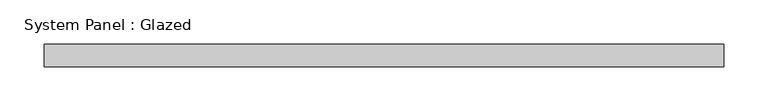
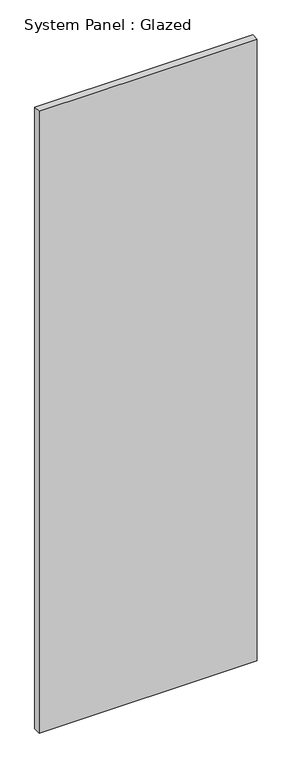
"""IFC4 building model written with IfcOpenShell, lengths in millimetres: plate geometry, System Panel : Glazed."""

from ifc_helpers import new_model, si_unit, origin, origin_with_axes, place, context, project, spatial, polyline, outline, extrude, source, transform, mapped, element, save


def system_panel_glazed_66cb0831(model_context):
    return source(origin(), model_context, "Body", "SweptSolid", [
        extrude(outline(polyline([(381.6721298, -49.5), (-381.6721298, -49.5), (-381.6721298, -24.5), (381.6721298, -24.5), (381.6721298, -49.5)])), origin_with_axes(), (0.0, 0.0, 1.0), 2300.0),
    ])


if __name__ == "__main__":
    model = new_model("IFC4")
    model_context = context("Model", 3, world=origin())
    ifc_project = project(units=[si_unit("LENGTHUNIT", "METRE", prefix="MILLI")], contexts=[model_context])
    site = spatial("IfcSite", under=ifc_project)
    building = spatial("IfcBuilding", under=site)
    placement = place(None, origin())
    system_panel_glazed_shape = system_panel_glazed_66cb0831(model_context)
    element("IfcPlate", 1, ObjectType="System Panel : Glazed", at=placement, inside=building, context=model_context, shape_type="MappedRepresentation", body=[
        mapped(system_panel_glazed_shape, transform((0.0, 0.0, 0.0), x_axis=(1.0, 0.0, 0.0), y_axis=(0.0, 1.0, 0.0), z_axis=(0.0, 0.0, 1.0))),
    ])
    save(model, "model.ifc")
